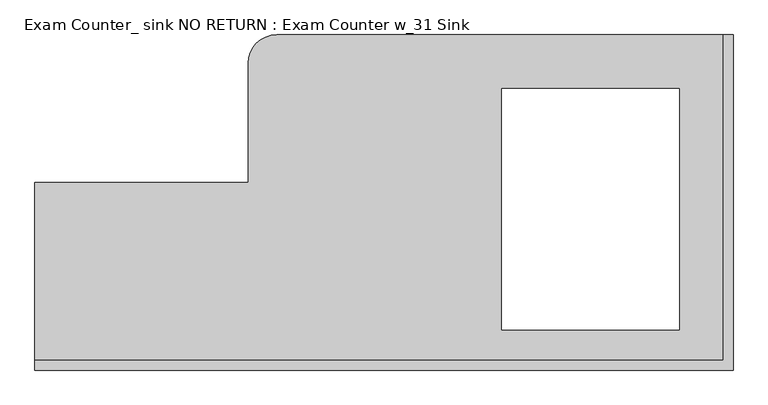
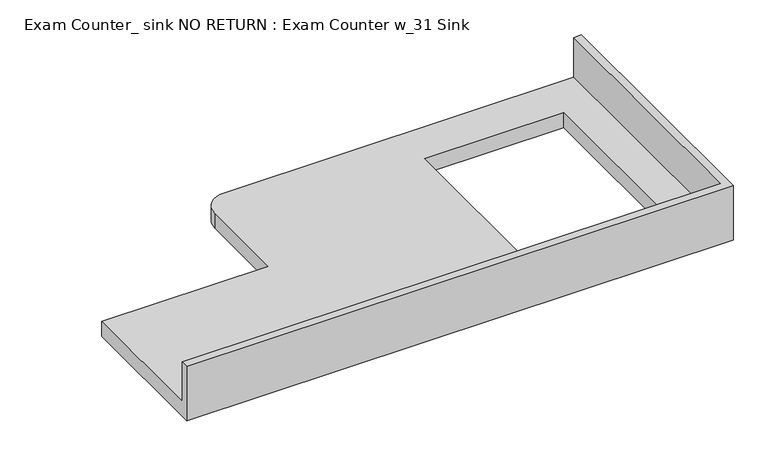
"""IFC4 building model written with IfcOpenShell, lengths in millimetres: furniture geometry, Exam Counter_ sink NO RETURN : Exam Counter w_31 Sink."""

from ifc_helpers import new_model, si_unit, frame, origin, place, context, project, spatial, circle_curve, source, transform, mapped, element, save
from ifc_brep_helpers import plane_surface, cylinder_surface, advanced_brep


def exam_counter_sink_no_return_exam_counter_w_31_sink_cfd34d13(model_context):
    return source(origin(), model_context, "Body", "AdvancedBrep", [
        advanced_brep(
        [(-863.6, 635.0, 863.6), (-917.575, 581.025, 863.6), (-917.575, 355.6, 863.6), (-1320.8, 355.6, 863.6), (-1320.8, 19.05, 863.6), (-19.05, 19.05, 863.6), (-19.05, 635.0, 863.6), (-101.6, 533.4, 863.6), (-101.6, 76.2, 863.6), (-437.3684137, 76.2, 863.6), (-437.3684137, 533.4, 863.6), (-1320.8, 0.0, 825.5), (-1320.8, 355.6, 825.5), (-917.575, 355.6, 825.5), (-917.575, 581.025, 825.5), (-863.6, 635.0, 825.5), (0.0, 635.0, 825.5), (0.0, 0.0, 825.5), (-101.6, 533.4, 825.5), (-437.3684137, 533.4, 825.5), (-437.3684137, 76.2, 825.5), (-101.6, 76.2, 825.5), (-1320.8, 0.0, 965.2), (-1320.8, 19.05, 965.2), (0.0, 0.0, 965.2), (0.0, 635.0, 965.2), (-19.05, 635.0, 965.2), (-19.05, 19.05, 965.2)],
        [
            (0, 1, circle_curve(frame((-863.6, 581.025, 863.6), z_axis=(0.0, 0.0, 1.0), x_axis=(-1.0, 0.0, 0.0)), 53.975)),
            (1, 2),
            (2, 3),
            (3, 4),
            (4, 5),
            (5, 6),
            (6, 0),
            (7, 8),
            (8, 9),
            (9, 10),
            (10, 7),
            (11, 12),
            (12, 13),
            (13, 14),
            (14, 15, circle_curve(frame((-863.6, 581.025, 825.5), z_axis=(0.0, 0.0, -1.0), x_axis=(-1.0, 0.0, 0.0)), 53.975)),
            (15, 16),
            (16, 17),
            (17, 11),
            (18, 19),
            (19, 20),
            (20, 21),
            (21, 18),
            (11, 22),
            (22, 23),
            (23, 4),
            (3, 12),
            (17, 24),
            (24, 22),
            (16, 25),
            (25, 24),
            (7, 18),
            (21, 8),
            (20, 9),
            (19, 10),
            (15, 0),
            (6, 26),
            (26, 25),
            (2, 13),
            (14, 1),
            (27, 23),
            (26, 27),
            (27, 5),
        ],
        [
            plane_surface(frame((-1320.8, 0.0, 863.6), z_axis=(0.0, 0.0, 1.0), x_axis=(1.0, 0.0, 0.0))),
            plane_surface(frame((-1320.8, 0.0, 825.5), z_axis=(0.0, 0.0, -1.0), x_axis=(-1.0, 0.0, 0.0))),
            plane_surface(frame((-1320.8, 355.6, 863.6), z_axis=(-1.0, 0.0, 0.0), x_axis=(0.0, 0.0, -1.0))),
            plane_surface(frame((-1320.8, 0.0, 863.6), z_axis=(0.0, -1.0, 0.0), x_axis=(0.0, 0.0, -1.0))),
            plane_surface(frame((0.0, 0.0, 863.6), z_axis=(1.0, 0.0, 0.0), x_axis=(0.0, 0.0, -1.0))),
            plane_surface(frame((-101.6, 533.4, 863.6), z_axis=(-1.0, 0.0, 0.0), x_axis=(0.0, 0.0, -1.0))),
            plane_surface(frame((-101.6, 76.2, 863.6), z_axis=(0.0, 1.0, 0.0), x_axis=(0.0, 0.0, -1.0))),
            plane_surface(frame((-437.3684137, 76.2, 863.6), z_axis=(1.0, 0.0, 0.0), x_axis=(0.0, 0.0, -1.0))),
            plane_surface(frame((-437.3684137, 533.4, 863.6), z_axis=(0.0, -1.0, 0.0), x_axis=(0.0, 0.0, -1.0))),
            plane_surface(frame((0.0, 635.0, 863.6), z_axis=(0.0, 1.0, 0.0), x_axis=(0.0, 0.0, -1.0))),
            plane_surface(frame((-917.575, 355.6, 863.6), z_axis=(0.0, 1.0, 0.0), x_axis=(0.0, 0.0, -1.0))),
            cylinder_surface(frame((-863.6, 581.025, 825.5), z_axis=(0.0, 0.0, 1.0), x_axis=(-1.0, 0.0, 0.0)), 53.975),
            plane_surface(frame((-917.575, 581.025, 863.6), z_axis=(-1.0, 0.0, 0.0), x_axis=(0.0, 0.0, -1.0))),
            plane_surface(frame((-1320.8, 19.05, 965.2), z_axis=(0.0, 0.0, 1.0), x_axis=(-1.0, 0.0, 0.0))),
            plane_surface(frame((-19.05, 19.05, 965.2), z_axis=(0.0, 1.0, 0.0), x_axis=(0.0, 0.0, -1.0))),
            plane_surface(frame((-19.05, 635.0, 965.2), z_axis=(-1.0, 0.0, 0.0), x_axis=(0.0, 0.0, -1.0))),
        ],
        [
            (0, [[1, 2, 3, 4, 5, 6, 7], [8, 9, 10, 11]]),
            (1, [[12, 13, 14, 15, 16, 17, 18], [19, 20, 21, 22]]),
            (2, [[-12, 23, 24, 25, -4, 26]]),
            (3, [[-23, -18, 27, 28]]),
            (4, [[-27, -17, 29, 30]]),
            (5, [[-8, 31, -22, 32]]),
            (6, [[-9, -32, -21, 33]]),
            (7, [[-10, -33, -20, 34]]),
            (8, [[-11, -34, -19, -31]]),
            (9, [[-29, -16, 35, -7, 36, 37]]),
            (10, [[-3, 38, -13, -26]]),
            (11, [[-1, -35, -15, 39]]),
            (12, [[-2, -39, -14, -38]]),
            (13, [[40, -24, -28, -30, -37, 41]]),
            (14, [[-40, 42, -5, -25]]),
            (15, [[-41, -36, -6, -42]]),
        ],
    ),
    ])


if __name__ == "__main__":
    model = new_model("IFC4")
    model_context = context("Model", 3, world=origin())
    ifc_project = project(units=[si_unit("LENGTHUNIT", "METRE", prefix="MILLI")], contexts=[model_context])
    site = spatial("IfcSite", under=ifc_project)
    building = spatial("IfcBuilding", under=site)
    placement = place(None, origin())
    exam_counter_sink_no_return_exam_counter_w_31_sink_shape = exam_counter_sink_no_return_exam_counter_w_31_sink_cfd34d13(model_context)
    element("IfcFurniture", 1, ObjectType="Exam Counter_ sink NO RETURN : Exam Counter w_31 Sink", at=placement, inside=building, context=model_context, shape_type="MappedRepresentation", body=[
        mapped(exam_counter_sink_no_return_exam_counter_w_31_sink_shape, transform((0.0, 0.0, 0.0), x_axis=(1.0, 0.0, 0.0), y_axis=(0.0, 1.0, 0.0), z_axis=(0.0, 0.0, 1.0))),
    ])
    save(model, "model.ifc")
